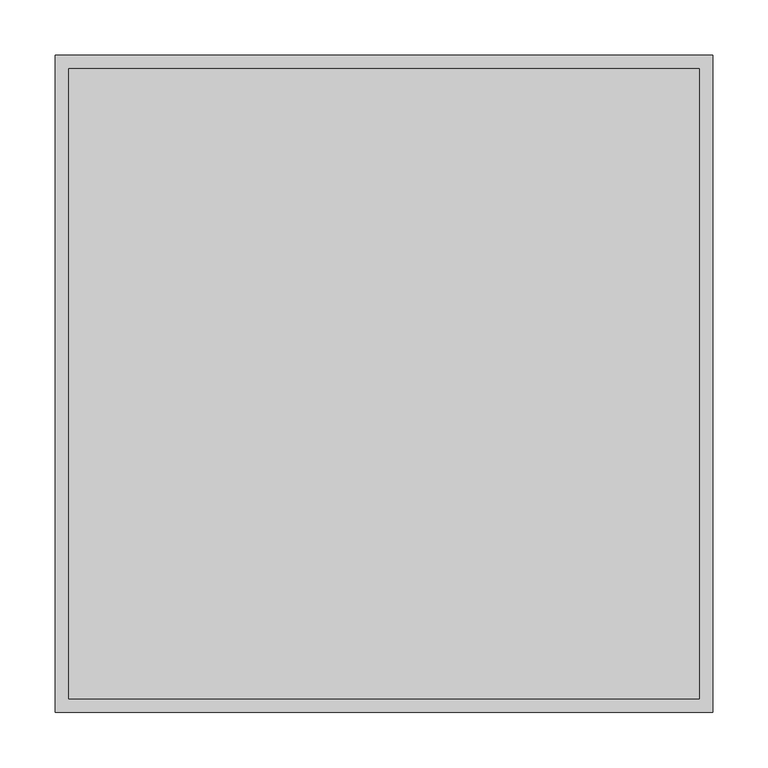
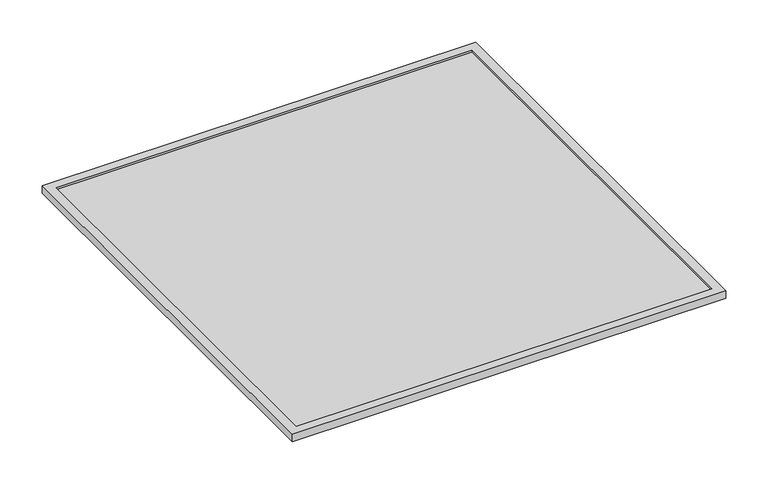
"""IFC4 building model written with IfcOpenShell, lengths in millimetres: light fixture geometry."""

from ifc_helpers import new_model, si_unit, frame, origin, place, context, project, spatial, polyline, outline, extrude, source, transform, mapped, element, save


def light_fixture_52fa387f(model_context):
    return source(origin(), model_context, "Body", "SweptSolid", [
        extrude(outline(polyline([(285.5, 285.5), (285.5, -285.5), (-285.5, -285.5), (-285.5, 285.5), (285.5, 285.5)])), frame((0.0, 0.0, 58.0), z_axis=(0.0, 0.0, 1.0), x_axis=(1.0, 0.0, 0.0)), (0.0, 0.0, 1.0), 8.0),
        extrude(outline(polyline([(298.0, 298.0), (298.0, -298.0), (-298.0, -298.0), (-298.0, 298.0), (298.0, 298.0)]), holes=[polyline([(-285.5, 285.5), (-285.5, -285.5), (285.5, -285.5), (285.5, 285.5), (-285.5, 285.5)])]), frame((0.0, 0.0, 58.0), z_axis=(0.0, 0.0, 1.0), x_axis=(1.0, 0.0, 0.0)), (0.0, 0.0, 1.0), 11.0),
    ])


if __name__ == "__main__":
    model = new_model("IFC4")
    model_context = context("Model", 3, world=origin())
    ifc_project = project(units=[si_unit("LENGTHUNIT", "METRE", prefix="MILLI")], contexts=[model_context])
    site = spatial("IfcSite", under=ifc_project)
    building = spatial("IfcBuilding", under=site)
    placement = place(None, origin())
    light_fixture_shape = light_fixture_52fa387f(model_context)
    element("IfcLightFixture", 1, at=placement, inside=building, context=model_context, shape_type="MappedRepresentation", body=[
        mapped(light_fixture_shape, transform((0.0, 0.0, 0.0), x_axis=(1.0, 0.0, 0.0), y_axis=(0.0, 1.0, 0.0), z_axis=(0.0, 0.0, 1.0))),
    ])
    save(model, "model.ifc")
